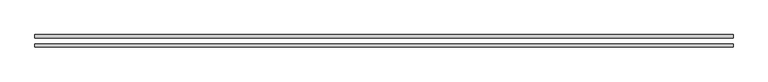
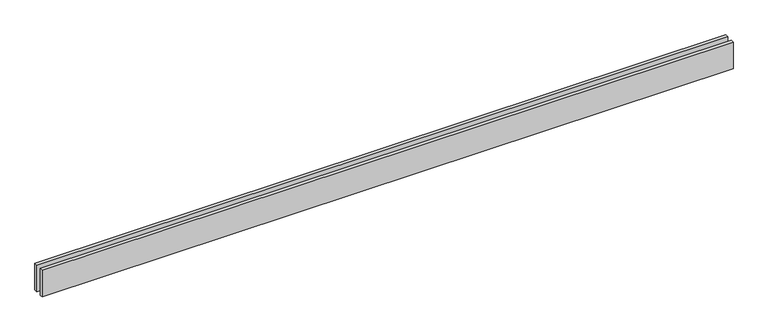
"""IFC4 building model written with IfcOpenShell, lengths in millimetres: proxy geometry."""

from ifc_helpers import new_model, si_unit, origin, origin_with_axes, place, context, project, spatial, polyline, outline, extrude, source, transform, mapped, element, save


def generic_models_1c11be36(model_context):
    return source(origin(), model_context, "Body", "SweptSolid", [
        extrude(outline(polyline([(6135.0, 25.0), (0.0, 25.0), (0.0, 55.0), (6135.0, 55.0), (6135.0, 25.0)])), origin_with_axes(), (0.0, 0.0, 1.0), 250.0),
        extrude(outline(polyline([(6135.0, -55.0), (0.0, -55.0), (0.0, -25.0), (6135.0, -25.0), (6135.0, -55.0)])), origin_with_axes(), (0.0, 0.0, 1.0), 250.0),
    ])


if __name__ == "__main__":
    model = new_model("IFC4")
    model_context = context("Model", 3, world=origin())
    ifc_project = project(units=[si_unit("LENGTHUNIT", "METRE", prefix="MILLI")], contexts=[model_context])
    site = spatial("IfcSite", under=ifc_project)
    building = spatial("IfcBuilding", under=site)
    placement = place(None, origin())
    generic_models_shape = generic_models_1c11be36(model_context)
    element("IfcBuildingElementProxy", 1, Name="Generic Models", at=placement, inside=building, context=model_context, shape_type="MappedRepresentation", body=[
        mapped(generic_models_shape, transform((0.0, 0.0, 0.0), x_axis=(1.0, 0.0, 0.0), y_axis=(0.0, 1.0, 0.0), z_axis=(0.0, 0.0, 1.0))),
    ])
    save(model, "model.ifc")
